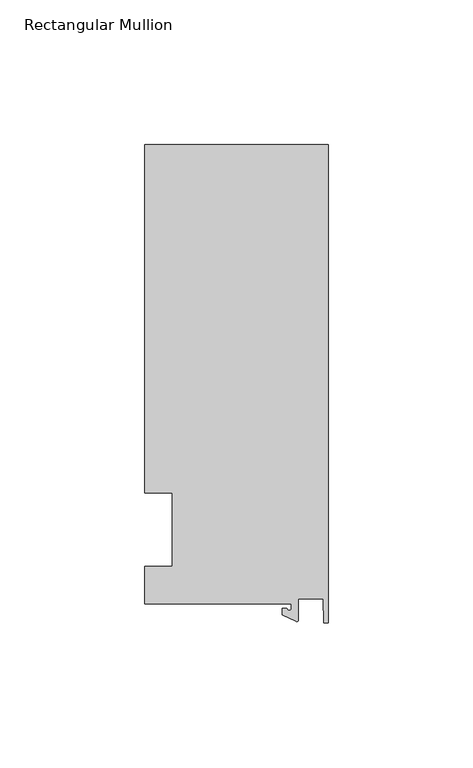
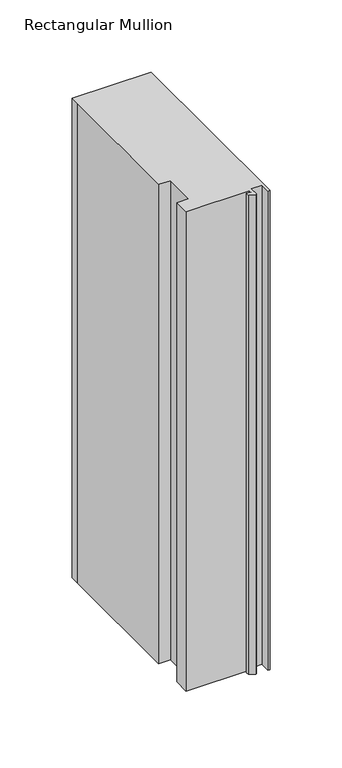
"""IFC4 building model written with IfcOpenShell, lengths in millimetres: member geometry, Rectangular Mullion."""

from ifc_helpers import new_model, si_unit, point, frame, frame_2d, origin, place, context, project, spatial, polyline, circle_curve, trimmed, segment, composite_curve, outline, extrude, source, transform, mapped, element, save


def rectangular_mullion_6e0a2770(model_context):
    return source(origin(), model_context, "Body", "SweptSolid", [
        extrude(outline(composite_curve([segment(polyline([(-12.6979967, -25.796875), (-63.5, -25.796875), (-63.5, -12.7), (-53.975, -12.7), (-53.975, 12.7), (-63.5, 12.7), (-63.5, 125.4797866), (-63.5, 133.2272736), (0.0, 133.2272736), (0.0, -32.288874), (-1.5658966, -32.288874), (-1.7144124, -23.9227662), (-10.3103967, -23.9227662), (-10.3103967, -31.3654561)]), True, "CONTINUOUS"), segment(trimmed(circle_curve(frame_2d((-10.8183967, -31.3654561)), 0.508), [point((-10.3103967, -31.3654561))], [point((-11.0330867, -31.8258605))], False, "CARTESIAN"), True, "CONTINUOUS"), segment(polyline([(-11.0330867, -31.8258605), (-15.8729967, -29.5689734), (-15.8729967, -27.2067741), (-14.2854967, -27.2067741)]), True, "CONTINUOUS"), segment(trimmed(circle_curve(frame_2d((-13.4917467, -27.2067741)), 0.79375), [point((-14.2854967, -27.2067741))], [point((-12.6979967, -27.2067741))], True, "CARTESIAN"), True, "CONTINUOUS"), segment(polyline([(-12.6979967, -27.2067741), (-12.6979967, -25.796875)]), True, "CONTINUOUS")], self_intersect=False)), frame((0.0, 0.0, -406.4), z_axis=(0.0, 0.0, 1.0), x_axis=(1.0, 0.0, 0.0)), (0.0, 0.0, 1.0), 406.4),
    ])


if __name__ == "__main__":
    model = new_model("IFC4")
    model_context = context("Model", 3, world=origin())
    ifc_project = project(units=[si_unit("LENGTHUNIT", "METRE", prefix="MILLI")], contexts=[model_context])
    site = spatial("IfcSite", under=ifc_project)
    building = spatial("IfcBuilding", under=site)
    placement = place(None, origin())
    rectangular_mullion_shape = rectangular_mullion_6e0a2770(model_context)
    element("IfcMember", 1, ObjectType="Rectangular Mullion", at=placement, inside=building, context=model_context, shape_type="MappedRepresentation", body=[
        mapped(rectangular_mullion_shape, transform((0.0, 0.0, 0.0), x_axis=(1.0, 0.0, 0.0), y_axis=(0.0, 1.0, 0.0), z_axis=(0.0, 0.0, 1.0))),
    ])
    save(model, "model.ifc")
